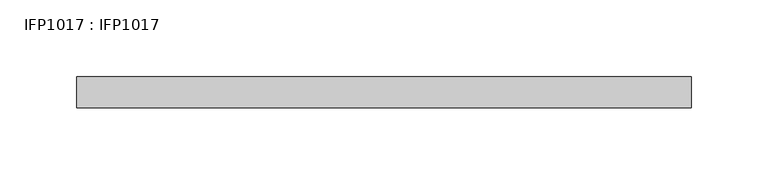
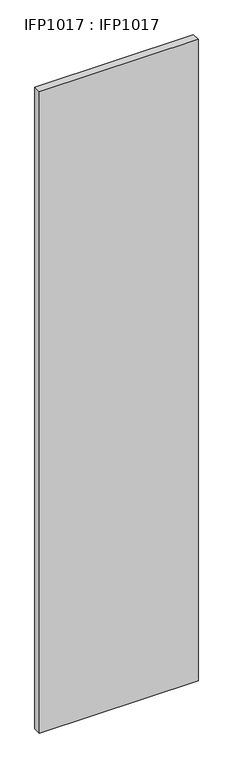
"""IFC4 building model written with IfcOpenShell, lengths in millimetres: proxy geometry, IFP1017 : IFP1017."""

from ifc_helpers import new_model, si_unit, origin, origin_with_axes, place, context, project, spatial, polyline, outline, extrude, source, transform, mapped, element, save


def ifp1017_ifp1017_1eea5843(model_context):
    return source(origin(), model_context, "Body", "SweptSolid", [
        extrude(outline(polyline([(400.0, 0.0), (400.0, -20.0), (0.0, -20.0), (0.0, 0.0), (400.0, 0.0)])), origin_with_axes(), (0.0, 0.0, 1.0), 1710.0),
    ])


if __name__ == "__main__":
    model = new_model("IFC4")
    model_context = context("Model", 3, world=origin())
    ifc_project = project(units=[si_unit("LENGTHUNIT", "METRE", prefix="MILLI")], contexts=[model_context])
    site = spatial("IfcSite", under=ifc_project)
    building = spatial("IfcBuilding", under=site)
    placement = place(None, origin())
    ifp1017_ifp1017_shape = ifp1017_ifp1017_1eea5843(model_context)
    element("IfcBuildingElementProxy", 1, Name="IFP1017 : IFP1017", ObjectType="IFP1017 : IFP1017", at=placement, inside=building, context=model_context, shape_type="MappedRepresentation", body=[
        mapped(ifp1017_ifp1017_shape, transform((0.0, 0.0, 0.0), x_axis=(1.0, 0.0, 0.0), y_axis=(0.0, 1.0, 0.0), z_axis=(0.0, 0.0, 1.0))),
    ])
    save(model, "model.ifc")
